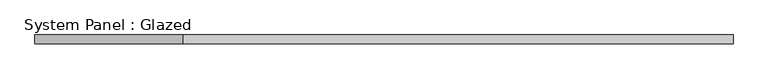
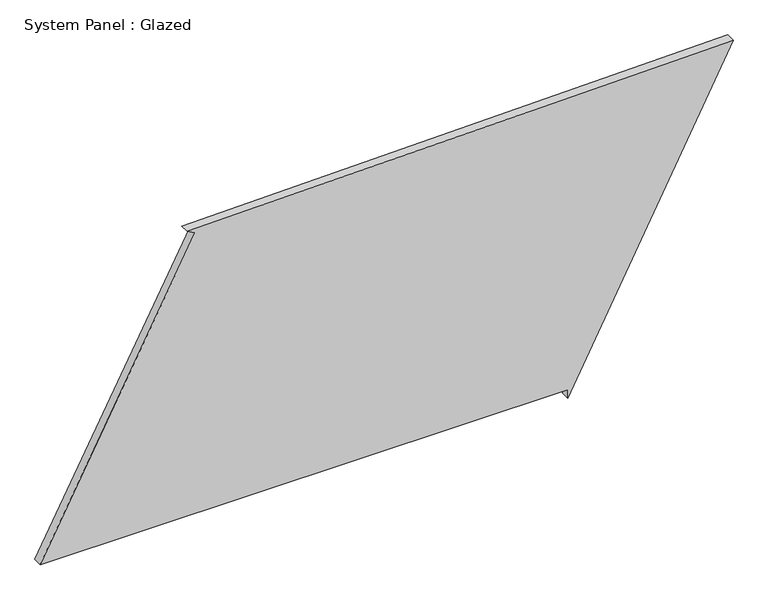
"""IFC4 building model written with IfcOpenShell, lengths in millimetres: plate geometry, System Panel : Glazed."""

from ifc_helpers import new_model, si_unit, frame, origin, place, context, project, spatial, polyline, outline, extrude, source, transform, mapped, element, save


def system_panel_glazed_953e2aff(model_context):
    return source(origin(), model_context, "Body", "SweptSolid", [
        extrude(outline(polyline([(25.0, 507.4299542), (0.0, 507.4299542), (898.3698518, 970.3543058), (867.2967842, -558.6963865), (855.7243144, -536.5361081), (25.0, -970.3543058), (25.0, 507.4299542)])), frame((0.0, -49.5, 0.0), z_axis=(0.0, 1.0, 0.0), x_axis=(0.0, 0.0, 1.0)), (0.0, 0.0, 1.0), 25.0),
    ])


if __name__ == "__main__":
    model = new_model("IFC4")
    model_context = context("Model", 3, world=origin())
    ifc_project = project(units=[si_unit("LENGTHUNIT", "METRE", prefix="MILLI")], contexts=[model_context])
    site = spatial("IfcSite", under=ifc_project)
    building = spatial("IfcBuilding", under=site)
    placement = place(None, origin())
    system_panel_glazed_shape = system_panel_glazed_953e2aff(model_context)
    element("IfcPlate", 1, ObjectType="System Panel : Glazed", at=placement, inside=building, context=model_context, shape_type="MappedRepresentation", body=[
        mapped(system_panel_glazed_shape, transform((0.0, 0.0, 0.0), x_axis=(1.0, 0.0, 0.0), y_axis=(0.0, 1.0, 0.0), z_axis=(0.0, 0.0, 1.0))),
    ])
    save(model, "model.ifc")
